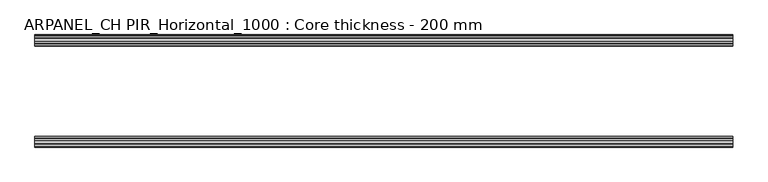
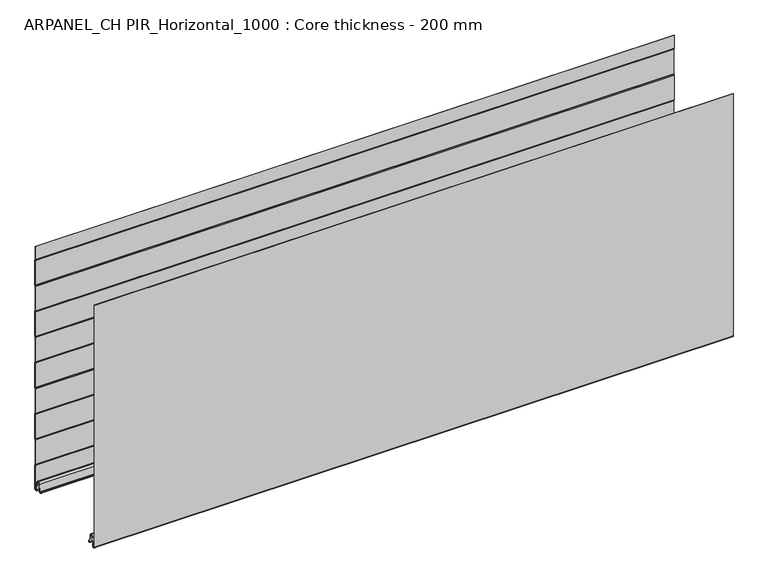
"""IFC4 building model written with IfcOpenShell, lengths in millimetres: plate geometry, ARPANEL_CH PIR_Horizontal_1000 : Core thickness - 200 mm."""

from ifc_helpers import new_model, si_unit, frame, origin, place, context, project, spatial, polyline, circle_curve, source, transform, mapped, element, save
from ifc_brep_helpers import plane_surface, cylinder_surface, revolved_surface, advanced_brep


def arpanel_ch_pir_horizontal_1000_core_thickness_200_mm_6cc82634(model_context):
    return source(origin(), model_context, "Body", "AdvancedBrep", [
        advanced_brep(
        [(620.0, -1.5003051, 473.4703605), (620.0, -1.0971009, 472.0509491), (620.0, -0.8, 470.9985637), (620.0, -0.8, 420.8387805), (620.0, -1.0986697, 419.7873646), (620.0, -1.5003051, 418.3669837), (620.0, -1.5003051, 368.2072005), (620.0, -1.0971009, 366.7877891), (620.0, -0.8, 365.7354037), (620.0, -0.8, 315.5756205), (620.0, -1.0986697, 314.5242046), (620.0, -1.5003051, 313.1038237), (620.0, -1.5003051, 262.9440405), (620.0, -1.0971009, 261.5246291), (620.0, -0.8, 260.4722437), (620.0, -0.8, 210.3124605), (620.0, -1.0986697, 209.2610446), (620.0, -1.5003051, 207.8406637), (620.0, -1.5003051, 157.6808805), (620.0, -1.0971009, 156.2614691), (620.0, -0.8, 155.2090837), (620.0, -0.8, 105.0493005), (620.0, -1.0986697, 103.9978846), (620.0, -1.5003051, 102.5775037), (620.0, -1.5003051, 52.4177205), (620.0, -1.0971009, 50.9983091), (620.0, -0.8, 49.9459237), (620.0, -0.8, 3.0900682), (620.0, -5.3893281, 2.8656275), (620.0, -7.0067021, 19.3608832), (620.0, -10.8223285, 22.7899182), (620.0, -14.6379549, 19.3608832), (620.0, -16.0235822, 5.2291629), (620.0, -18.8169005, 5.365779), (620.0, -19.6169005, 5.365779), (620.0, -15.2274002, 5.1510966), (620.0, -13.8417729, 19.2828169), (620.0, -10.8223285, 21.9898782), (620.0, -7.802884, 19.2828169), (620.0, -6.18551, 2.7875612), (620.0, -0.0003051, 3.0900682), (620.0, -0.0003051, 49.9459237), (620.0, -0.4034608, 51.3652568), (620.0, -0.7003051, 52.4177205), (620.0, -0.7003051, 102.5775037), (620.0, -0.4016712, 103.6288615), (620.0, -0.0003051, 105.0493005), (620.0, -0.0003051, 155.2090837), (620.0, -0.4034608, 156.6284168), (620.0, -0.7003051, 157.6808805), (620.0, -0.7003051, 207.8406637), (620.0, -0.4016712, 208.8920215), (620.0, -0.0003051, 210.3124605), (620.0, -0.0003051, 260.4722437), (620.0, -0.4034608, 261.8915768), (620.0, -0.7003051, 262.9440405), (620.0, -0.7003051, 313.1038237), (620.0, -0.4016712, 314.1551815), (620.0, -0.0003051, 315.5756205), (620.0, -0.0003051, 365.7354037), (620.0, -0.4034608, 367.1547368), (620.0, -0.7003051, 368.2072005), (620.0, -0.7003051, 418.3669837), (620.0, -0.4016712, 419.4183415), (620.0, -0.0003051, 420.8387805), (620.0, -0.0003051, 470.9985637), (620.0, -0.4034608, 472.4178968), (620.0, -0.7003051, 473.4703605), (620.0, -0.7003051, 500.0), (620.0, -1.5003051, 500.0), (-620.0, -0.7003051, 473.4703605), (-620.0, -0.4016712, 472.4190026), (-620.0, -0.0003051, 470.9985637), (-620.0, -0.0003051, 420.8387805), (-620.0, -0.4034608, 419.4194474), (-620.0, -0.7003051, 418.3669837), (-620.0, -0.7003051, 368.2072005), (-620.0, -0.4016712, 367.1558426), (-620.0, -0.0003051, 365.7354037), (-620.0, -0.0003051, 315.5756205), (-620.0, -0.4034608, 314.1562874), (-620.0, -0.7003051, 313.1038237), (-620.0, -0.7003051, 262.9440405), (-620.0, -0.4016712, 261.8926826), (-620.0, -0.0003051, 260.4722437), (-620.0, -0.0003051, 210.3124605), (-620.0, -0.4034608, 208.8931274), (-620.0, -0.7003051, 207.8406637), (-620.0, -0.7003051, 157.6808805), (-620.0, -0.4016712, 156.6295226), (-620.0, -0.0003051, 155.2090837), (-620.0, -0.0003051, 105.0493005), (-620.0, -0.4034608, 103.6299674), (-620.0, -0.7003051, 102.5775037), (-620.0, -0.7003051, 52.4177205), (-620.0, -0.4016712, 51.3663626), (-620.0, -0.0003051, 49.9459237), (-620.0, -0.0003051, 3.0900682), (-620.0, -6.18551, 2.7875612), (-620.0, -7.802884, 19.2828169), (-620.0, -10.8223285, 21.9898782), (-620.0, -13.8417729, 19.2828169), (-620.0, -15.2274002, 5.1510966), (-620.0, -19.6169005, 5.365779), (-620.0, -18.8169005, 5.365779), (-620.0, -16.0235822, 5.2291629), (-620.0, -14.6379549, 19.3608832), (-620.0, -10.8223285, 22.7899182), (-620.0, -7.0067021, 19.3608832), (-620.0, -5.3893281, 2.8656275), (-620.0, -0.8003051, 3.0900682), (-620.0, -0.8, 49.9459237), (-620.0, -1.0986697, 50.9973395), (-620.0, -1.5003051, 52.4177205), (-620.0, -1.5003051, 102.5775037), (-620.0, -1.0971009, 103.9969151), (-620.0, -0.8, 105.0493005), (-620.0, -0.8, 155.2090837), (-620.0, -1.0986697, 156.2604995), (-620.0, -1.5003051, 157.6808805), (-620.0, -1.5003051, 207.8406637), (-620.0, -1.0971009, 209.2600751), (-620.0, -0.8, 210.3124605), (-620.0, -0.8, 260.4722437), (-620.0, -1.0986697, 261.5236595), (-620.0, -1.5003051, 262.9440405), (-620.0, -1.5003051, 313.1038237), (-620.0, -1.0971009, 314.5232351), (-620.0, -0.8, 315.5756205), (-620.0, -0.8, 365.7354037), (-620.0, -1.0986697, 366.7868195), (-620.0, -1.5003051, 368.2072005), (-620.0, -1.5003051, 418.3669837), (-620.0, -1.0971009, 419.7863951), (-620.0, -0.8, 420.8387805), (-620.0, -0.8, 470.9985637), (-620.0, -1.0986697, 472.0499795), (-620.0, -1.5003051, 473.4703605), (-620.0, -1.5003051, 500.0), (-620.0, -0.7003051, 500.0)],
        [
            (0, 1, circle_curve(frame((620.0, 1.1996949, 473.4703605), z_axis=(1.0, 0.0, 0.0), x_axis=(0.0, 0.0, -1.0)), 2.7)),
            (1, 2, circle_curve(frame((620.0, -2.8, 470.9985637), z_axis=(-1.0, 0.0, 0.0), x_axis=(0.0, 0.0, -1.0)), 2.0)),
            (2, 3),
            (3, 4, circle_curve(frame((620.0, -2.8, 420.8387805), z_axis=(-1.0, 0.0, 0.0), x_axis=(0.0, 0.0, -1.0)), 2.0)),
            (4, 5, circle_curve(frame((620.0, 1.1996949, 418.3669837), z_axis=(1.0, 0.0, 0.0), x_axis=(0.0, 0.0, -1.0)), 2.7)),
            (5, 6),
            (6, 7, circle_curve(frame((620.0, 1.1996949, 368.2072005), z_axis=(1.0, 0.0, 0.0), x_axis=(0.0, 0.0, -1.0)), 2.7)),
            (7, 8, circle_curve(frame((620.0, -2.8, 365.7354037), z_axis=(-1.0, 0.0, 0.0), x_axis=(0.0, 0.0, -1.0)), 2.0)),
            (8, 9),
            (9, 10, circle_curve(frame((620.0, -2.8, 315.5756205), z_axis=(-1.0, 0.0, 0.0), x_axis=(0.0, 0.0, -1.0)), 2.0)),
            (10, 11, circle_curve(frame((620.0, 1.1996949, 313.1038237), z_axis=(1.0, 0.0, 0.0), x_axis=(0.0, 0.0, -1.0)), 2.7)),
            (11, 12),
            (12, 13, circle_curve(frame((620.0, 1.1996949, 262.9440405), z_axis=(1.0, 0.0, 0.0), x_axis=(0.0, 0.0, -1.0)), 2.7)),
            (13, 14, circle_curve(frame((620.0, -2.8, 260.4722437), z_axis=(-1.0, 0.0, 0.0), x_axis=(0.0, 0.0, -1.0)), 2.0)),
            (14, 15),
            (15, 16, circle_curve(frame((620.0, -2.8, 210.3124605), z_axis=(-1.0, 0.0, 0.0), x_axis=(0.0, 0.0, -1.0)), 2.0)),
            (16, 17, circle_curve(frame((620.0, 1.1996949, 207.8406637), z_axis=(1.0, 0.0, 0.0), x_axis=(0.0, 0.0, -1.0)), 2.7)),
            (17, 18),
            (18, 19, circle_curve(frame((620.0, 1.1996949, 157.6808805), z_axis=(1.0, 0.0, 0.0), x_axis=(0.0, 0.0, -1.0)), 2.7)),
            (19, 20, circle_curve(frame((620.0, -2.8, 155.2090837), z_axis=(-1.0, 0.0, 0.0), x_axis=(0.0, 0.0, -1.0)), 2.0)),
            (20, 21),
            (21, 22, circle_curve(frame((620.0, -2.8, 105.0493005), z_axis=(-1.0, 0.0, 0.0), x_axis=(0.0, 0.0, -1.0)), 2.0)),
            (22, 23, circle_curve(frame((620.0, 1.1996949, 102.5775037), z_axis=(1.0, 0.0, 0.0), x_axis=(0.0, 0.0, -1.0)), 2.7)),
            (23, 24),
            (24, 25, circle_curve(frame((620.0, 1.1996949, 52.4177205), z_axis=(1.0, 0.0, 0.0), x_axis=(0.0, 0.0, -1.0)), 2.7)),
            (25, 26, circle_curve(frame((620.0, -2.8, 49.9459237), z_axis=(-1.0, 0.0, 0.0), x_axis=(0.0, 0.0, -1.0)), 2.0)),
            (26, 27),
            (27, 28, circle_curve(frame((620.0, -3.1003051, 3.0900682), z_axis=(-1.0, 0.0, 0.0), x_axis=(0.0, 0.0, -1.0)), 2.3)),
            (28, 29),
            (29, 30, circle_curve(frame((620.0, -10.7885662, 18.9900682), z_axis=(1.0, 0.0, 0.0), x_axis=(0.0, 0.0, -1.0)), 3.8)),
            (30, 31, circle_curve(frame((620.0, -10.8560907, 18.9900682), z_axis=(1.0, 0.0, 0.0), x_axis=(0.0, 0.0, -1.0)), 3.8)),
            (31, 32),
            (32, 33, circle_curve(frame((620.0, -17.4169005, 5.365779), z_axis=(-1.0, 0.0, 0.0), x_axis=(0.0, 0.0, -1.0)), 1.4)),
            (33, 34),
            (34, 35, circle_curve(frame((620.0, -17.4169005, 5.365779), z_axis=(1.0, 0.0, 0.0), x_axis=(0.0, 0.0, -1.0)), 2.2)),
            (35, 36),
            (36, 37, circle_curve(frame((620.0, -10.8560907, 18.9900682), z_axis=(-1.0, 0.0, 0.0), x_axis=(0.0, 0.0, -1.0)), 3.0)),
            (37, 38, circle_curve(frame((620.0, -10.7885662, 18.9900682), z_axis=(-1.0, 0.0, 0.0), x_axis=(0.0, 0.0, -1.0)), 3.0)),
            (38, 39),
            (39, 40, circle_curve(frame((620.0, -3.1003051, 3.0900682), z_axis=(1.0, 0.0, 0.0), x_axis=(0.0, 0.0, -1.0)), 3.1)),
            (40, 41),
            (41, 42, circle_curve(frame((620.0, -2.7003051, 49.9459237), z_axis=(1.0, 0.0, 0.0), x_axis=(0.0, 0.0, -1.0)), 2.7)),
            (42, 43, circle_curve(frame((620.0, 1.2996949, 52.4177205), z_axis=(-1.0, 0.0, 0.0), x_axis=(0.0, 0.0, -1.0)), 2.0)),
            (43, 44),
            (44, 45, circle_curve(frame((620.0, 1.2996949, 102.5775037), z_axis=(-1.0, 0.0, 0.0), x_axis=(0.0, 0.0, -1.0)), 2.0)),
            (45, 46, circle_curve(frame((620.0, -2.7003051, 105.0493005), z_axis=(1.0, 0.0, 0.0), x_axis=(0.0, 0.0, -1.0)), 2.7)),
            (46, 47),
            (47, 48, circle_curve(frame((620.0, -2.7003051, 155.2090837), z_axis=(1.0, 0.0, 0.0), x_axis=(0.0, 0.0, -1.0)), 2.7)),
            (48, 49, circle_curve(frame((620.0, 1.2996949, 157.6808805), z_axis=(-1.0, 0.0, 0.0), x_axis=(0.0, 0.0, -1.0)), 2.0)),
            (49, 50),
            (50, 51, circle_curve(frame((620.0, 1.2996949, 207.8406637), z_axis=(-1.0, 0.0, 0.0), x_axis=(0.0, 0.0, -1.0)), 2.0)),
            (51, 52, circle_curve(frame((620.0, -2.7003051, 210.3124605), z_axis=(1.0, 0.0, 0.0), x_axis=(0.0, 0.0, -1.0)), 2.7)),
            (52, 53),
            (53, 54, circle_curve(frame((620.0, -2.7003051, 260.4722437), z_axis=(1.0, 0.0, 0.0), x_axis=(0.0, 0.0, -1.0)), 2.7)),
            (54, 55, circle_curve(frame((620.0, 1.2996949, 262.9440405), z_axis=(-1.0, 0.0, 0.0), x_axis=(0.0, 0.0, -1.0)), 2.0)),
            (55, 56),
            (56, 57, circle_curve(frame((620.0, 1.2996949, 313.1038237), z_axis=(-1.0, 0.0, 0.0), x_axis=(0.0, 0.0, -1.0)), 2.0)),
            (57, 58, circle_curve(frame((620.0, -2.7003051, 315.5756205), z_axis=(1.0, 0.0, 0.0), x_axis=(0.0, 0.0, -1.0)), 2.7)),
            (58, 59),
            (59, 60, circle_curve(frame((620.0, -2.7003051, 365.7354037), z_axis=(1.0, 0.0, 0.0), x_axis=(0.0, 0.0, -1.0)), 2.7)),
            (60, 61, circle_curve(frame((620.0, 1.2996949, 368.2072005), z_axis=(-1.0, 0.0, 0.0), x_axis=(0.0, 0.0, -1.0)), 2.0)),
            (61, 62),
            (62, 63, circle_curve(frame((620.0, 1.2996949, 418.3669837), z_axis=(-1.0, 0.0, 0.0), x_axis=(0.0, 0.0, -1.0)), 2.0)),
            (63, 64, circle_curve(frame((620.0, -2.7003051, 420.8387805), z_axis=(1.0, 0.0, 0.0), x_axis=(0.0, 0.0, -1.0)), 2.7)),
            (64, 65),
            (65, 66, circle_curve(frame((620.0, -2.7003051, 470.9985637), z_axis=(1.0, 0.0, 0.0), x_axis=(0.0, 0.0, -1.0)), 2.7)),
            (66, 67, circle_curve(frame((620.0, 1.2996949, 473.4703605), z_axis=(-1.0, 0.0, 0.0), x_axis=(0.0, 0.0, -1.0)), 2.0)),
            (67, 68),
            (68, 69),
            (69, 0),
            (70, 71, circle_curve(frame((-620.0, 1.2996949, 473.4703605), z_axis=(1.0, 0.0, 0.0), x_axis=(0.0, 0.0, -1.0)), 2.0)),
            (71, 72, circle_curve(frame((-620.0, -2.7003051, 470.9985637), z_axis=(-1.0, 0.0, 0.0), x_axis=(0.0, 0.0, -1.0)), 2.7)),
            (72, 73),
            (73, 74, circle_curve(frame((-620.0, -2.7003051, 420.8387805), z_axis=(-1.0, 0.0, 0.0), x_axis=(0.0, 0.0, -1.0)), 2.7)),
            (74, 75, circle_curve(frame((-620.0, 1.2996949, 418.3669837), z_axis=(1.0, 0.0, 0.0), x_axis=(0.0, 0.0, -1.0)), 2.0)),
            (75, 76),
            (76, 77, circle_curve(frame((-620.0, 1.2996949, 368.2072005), z_axis=(1.0, 0.0, 0.0), x_axis=(0.0, 0.0, -1.0)), 2.0)),
            (77, 78, circle_curve(frame((-620.0, -2.7003051, 365.7354037), z_axis=(-1.0, 0.0, 0.0), x_axis=(0.0, 0.0, -1.0)), 2.7)),
            (78, 79),
            (79, 80, circle_curve(frame((-620.0, -2.7003051, 315.5756205), z_axis=(-1.0, 0.0, 0.0), x_axis=(0.0, 0.0, -1.0)), 2.7)),
            (80, 81, circle_curve(frame((-620.0, 1.2996949, 313.1038237), z_axis=(1.0, 0.0, 0.0), x_axis=(0.0, 0.0, -1.0)), 2.0)),
            (81, 82),
            (82, 83, circle_curve(frame((-620.0, 1.2996949, 262.9440405), z_axis=(1.0, 0.0, 0.0), x_axis=(0.0, 0.0, -1.0)), 2.0)),
            (83, 84, circle_curve(frame((-620.0, -2.7003051, 260.4722437), z_axis=(-1.0, 0.0, 0.0), x_axis=(0.0, 0.0, -1.0)), 2.7)),
            (84, 85),
            (85, 86, circle_curve(frame((-620.0, -2.7003051, 210.3124605), z_axis=(-1.0, 0.0, 0.0), x_axis=(0.0, 0.0, -1.0)), 2.7)),
            (86, 87, circle_curve(frame((-620.0, 1.2996949, 207.8406637), z_axis=(1.0, 0.0, 0.0), x_axis=(0.0, 0.0, -1.0)), 2.0)),
            (87, 88),
            (88, 89, circle_curve(frame((-620.0, 1.2996949, 157.6808805), z_axis=(1.0, 0.0, 0.0), x_axis=(0.0, 0.0, -1.0)), 2.0)),
            (89, 90, circle_curve(frame((-620.0, -2.7003051, 155.2090837), z_axis=(-1.0, 0.0, 0.0), x_axis=(0.0, 0.0, -1.0)), 2.7)),
            (90, 91),
            (91, 92, circle_curve(frame((-620.0, -2.7003051, 105.0493005), z_axis=(-1.0, 0.0, 0.0), x_axis=(0.0, 0.0, -1.0)), 2.7)),
            (92, 93, circle_curve(frame((-620.0, 1.2996949, 102.5775037), z_axis=(1.0, 0.0, 0.0), x_axis=(0.0, 0.0, -1.0)), 2.0)),
            (93, 94),
            (94, 95, circle_curve(frame((-620.0, 1.2996949, 52.4177205), z_axis=(1.0, 0.0, 0.0), x_axis=(0.0, 0.0, -1.0)), 2.0)),
            (95, 96, circle_curve(frame((-620.0, -2.7003051, 49.9459237), z_axis=(-1.0, 0.0, 0.0), x_axis=(0.0, 0.0, -1.0)), 2.7)),
            (96, 97),
            (97, 98, circle_curve(frame((-620.0, -3.1003051, 3.0900682), z_axis=(-1.0, 0.0, 0.0), x_axis=(0.0, 0.0, -1.0)), 3.1)),
            (98, 99),
            (99, 100, circle_curve(frame((-620.0, -10.7885662, 18.9900682), z_axis=(1.0, 0.0, 0.0), x_axis=(0.0, 0.0, -1.0)), 3.0)),
            (100, 101, circle_curve(frame((-620.0, -10.8560907, 18.9900682), z_axis=(1.0, 0.0, 0.0), x_axis=(0.0, 0.0, -1.0)), 3.0)),
            (101, 102),
            (102, 103, circle_curve(frame((-620.0, -17.4169005, 5.365779), z_axis=(-1.0, 0.0, 0.0), x_axis=(0.0, 0.0, -1.0)), 2.2)),
            (103, 104),
            (104, 105, circle_curve(frame((-620.0, -17.4169005, 5.365779), z_axis=(1.0, 0.0, 0.0), x_axis=(0.0, 0.0, -1.0)), 1.4)),
            (105, 106),
            (106, 107, circle_curve(frame((-620.0, -10.8560907, 18.9900682), z_axis=(-1.0, 0.0, 0.0), x_axis=(0.0, 0.0, -1.0)), 3.8)),
            (107, 108, circle_curve(frame((-620.0, -10.7885662, 18.9900682), z_axis=(-1.0, 0.0, 0.0), x_axis=(0.0, 0.0, -1.0)), 3.8)),
            (108, 109),
            (109, 110, circle_curve(frame((-620.0, -3.1003051, 3.0900682), z_axis=(1.0, 0.0, 0.0), x_axis=(0.0, 0.0, -1.0)), 2.3)),
            (110, 111),
            (111, 112, circle_curve(frame((-620.0, -2.8, 49.9459237), z_axis=(1.0, 0.0, 0.0), x_axis=(0.0, 0.0, -1.0)), 2.0)),
            (112, 113, circle_curve(frame((-620.0, 1.1996949, 52.4177205), z_axis=(-1.0, 0.0, 0.0), x_axis=(0.0, 0.0, -1.0)), 2.7)),
            (113, 114),
            (114, 115, circle_curve(frame((-620.0, 1.1996949, 102.5775037), z_axis=(-1.0, 0.0, 0.0), x_axis=(0.0, 0.0, -1.0)), 2.7)),
            (115, 116, circle_curve(frame((-620.0, -2.8, 105.0493005), z_axis=(1.0, 0.0, 0.0), x_axis=(0.0, 0.0, -1.0)), 2.0)),
            (116, 117),
            (117, 118, circle_curve(frame((-620.0, -2.8, 155.2090837), z_axis=(1.0, 0.0, 0.0), x_axis=(0.0, 0.0, -1.0)), 2.0)),
            (118, 119, circle_curve(frame((-620.0, 1.1996949, 157.6808805), z_axis=(-1.0, 0.0, 0.0), x_axis=(0.0, 0.0, -1.0)), 2.7)),
            (119, 120),
            (120, 121, circle_curve(frame((-620.0, 1.1996949, 207.8406637), z_axis=(-1.0, 0.0, 0.0), x_axis=(0.0, 0.0, -1.0)), 2.7)),
            (121, 122, circle_curve(frame((-620.0, -2.8, 210.3124605), z_axis=(1.0, 0.0, 0.0), x_axis=(0.0, 0.0, -1.0)), 2.0)),
            (122, 123),
            (123, 124, circle_curve(frame((-620.0, -2.8, 260.4722437), z_axis=(1.0, 0.0, 0.0), x_axis=(0.0, 0.0, -1.0)), 2.0)),
            (124, 125, circle_curve(frame((-620.0, 1.1996949, 262.9440405), z_axis=(-1.0, 0.0, 0.0), x_axis=(0.0, 0.0, -1.0)), 2.7)),
            (125, 126),
            (126, 127, circle_curve(frame((-620.0, 1.1996949, 313.1038237), z_axis=(-1.0, 0.0, 0.0), x_axis=(0.0, 0.0, -1.0)), 2.7)),
            (127, 128, circle_curve(frame((-620.0, -2.8, 315.5756205), z_axis=(1.0, 0.0, 0.0), x_axis=(0.0, 0.0, -1.0)), 2.0)),
            (128, 129),
            (129, 130, circle_curve(frame((-620.0, -2.8, 365.7354037), z_axis=(1.0, 0.0, 0.0), x_axis=(0.0, 0.0, -1.0)), 2.0)),
            (130, 131, circle_curve(frame((-620.0, 1.1996949, 368.2072005), z_axis=(-1.0, 0.0, 0.0), x_axis=(0.0, 0.0, -1.0)), 2.7)),
            (131, 132),
            (132, 133, circle_curve(frame((-620.0, 1.1996949, 418.3669837), z_axis=(-1.0, 0.0, 0.0), x_axis=(0.0, 0.0, -1.0)), 2.7)),
            (133, 134, circle_curve(frame((-620.0, -2.8, 420.8387805), z_axis=(1.0, 0.0, 0.0), x_axis=(0.0, 0.0, -1.0)), 2.0)),
            (134, 135),
            (135, 136, circle_curve(frame((-620.0, -2.8, 470.9985637), z_axis=(1.0, 0.0, 0.0), x_axis=(0.0, 0.0, -1.0)), 2.0)),
            (136, 137, circle_curve(frame((-620.0, 1.1996949, 473.4703605), z_axis=(-1.0, 0.0, 0.0), x_axis=(0.0, 0.0, -1.0)), 2.7)),
            (137, 138),
            (138, 139),
            (139, 70),
            (137, 0),
            (69, 138),
            (136, 1),
            (135, 2),
            (134, 3),
            (133, 4),
            (132, 5),
            (131, 6),
            (130, 7),
            (129, 8),
            (128, 9),
            (127, 10),
            (126, 11),
            (125, 12),
            (124, 13),
            (123, 14),
            (122, 15),
            (121, 16),
            (120, 17),
            (119, 18),
            (118, 19),
            (117, 20),
            (116, 21),
            (115, 22),
            (114, 23),
            (113, 24),
            (112, 25),
            (111, 26),
            (110, 27),
            (109, 28),
            (108, 29),
            (107, 30),
            (106, 31),
            (105, 32),
            (104, 33),
            (103, 34),
            (102, 35),
            (101, 36),
            (100, 37),
            (99, 38),
            (98, 39),
            (97, 40),
            (96, 41),
            (95, 42),
            (94, 43),
            (93, 44),
            (92, 45),
            (91, 46),
            (90, 47),
            (89, 48),
            (88, 49),
            (87, 50),
            (86, 51),
            (85, 52),
            (84, 53),
            (83, 54),
            (82, 55),
            (81, 56),
            (80, 57),
            (79, 58),
            (78, 59),
            (77, 60),
            (76, 61),
            (75, 62),
            (74, 63),
            (73, 64),
            (72, 65),
            (71, 66),
            (70, 67),
            (139, 68),
        ],
        [
            plane_surface(frame((620.0, 0.0, 0.0), z_axis=(1.0, 0.0, 0.0), x_axis=(0.0, -1.0, 0.0))),
            plane_surface(frame((-620.0, 0.0, 0.0), z_axis=(-1.0, 0.0, 0.0), x_axis=(0.0, -1.0, 0.0))),
            plane_surface(frame((620.0, -1.5003051, 523.6301437), z_axis=(0.0, -1.0, 0.0), x_axis=(-1.0, 0.0, 0.0))),
            cylinder_surface(frame((620.0, 1.1996949, 473.4703605), z_axis=(1.0, 0.0, 0.0), x_axis=(0.0, 0.0, -1.0)), 2.7),
            revolved_surface(polyline([(-620.0, -2.8, 468.9985637), (620.0, -2.8, 468.9985637)]), (620.0, -2.8, 470.9985637), (-1.0, 0.0, 0.0)),
            plane_surface(frame((620.0, -0.8, 470.9985637), z_axis=(0.0, -1.0, 0.0), x_axis=(-1.0, 0.0, 0.0))),
            revolved_surface(polyline([(-620.0, -2.8, 418.8387805), (620.0, -2.8, 418.8387805)]), (620.0, -2.8, 420.8387805), (-1.0, 0.0, 0.0)),
            cylinder_surface(frame((620.0, 1.1996949, 418.3669837), z_axis=(1.0, 0.0, 0.0), x_axis=(0.0, 0.0, -1.0)), 2.7),
            plane_surface(frame((620.0, -1.5003051, 418.3669837), z_axis=(0.0, -1.0, 0.0), x_axis=(-1.0, 0.0, 0.0))),
            cylinder_surface(frame((620.0, 1.1996949, 368.2072005), z_axis=(1.0, 0.0, 0.0), x_axis=(0.0, 0.0, -1.0)), 2.7),
            revolved_surface(polyline([(-620.0, -2.8, 363.7354037), (620.0, -2.8, 363.7354037)]), (620.0, -2.8, 365.7354037), (-1.0, 0.0, 0.0)),
            plane_surface(frame((620.0, -0.8, 365.7354037), z_axis=(0.0, -1.0, 0.0), x_axis=(-1.0, 0.0, 0.0))),
            revolved_surface(polyline([(-620.0, -2.8, 313.5756205), (620.0, -2.8, 313.5756205)]), (620.0, -2.8, 315.5756205), (-1.0, 0.0, 0.0)),
            cylinder_surface(frame((620.0, 1.1996949, 313.1038237), z_axis=(1.0, 0.0, 0.0), x_axis=(0.0, 0.0, -1.0)), 2.7),
            plane_surface(frame((620.0, -1.5003051, 313.1038237), z_axis=(0.0, -1.0, 0.0), x_axis=(-1.0, 0.0, 0.0))),
            cylinder_surface(frame((620.0, 1.1996949, 262.9440405), z_axis=(1.0, 0.0, 0.0), x_axis=(0.0, 0.0, -1.0)), 2.7),
            revolved_surface(polyline([(-620.0, -2.8, 258.4722437), (620.0, -2.8, 258.4722437)]), (620.0, -2.8, 260.4722437), (-1.0, 0.0, 0.0)),
            plane_surface(frame((620.0, -0.8, 260.4722437), z_axis=(0.0, -1.0, 0.0), x_axis=(-1.0, 0.0, 0.0))),
            revolved_surface(polyline([(-620.0, -2.8, 208.3124605), (620.0, -2.8, 208.3124605)]), (620.0, -2.8, 210.3124605), (-1.0, 0.0, 0.0)),
            cylinder_surface(frame((620.0, 1.1996949, 207.8406637), z_axis=(1.0, 0.0, 0.0), x_axis=(0.0, 0.0, -1.0)), 2.7),
            plane_surface(frame((620.0, -1.5003051, 207.8406637), z_axis=(0.0, -1.0, 0.0), x_axis=(-1.0, 0.0, 0.0))),
            cylinder_surface(frame((620.0, 1.1996949, 157.6808805), z_axis=(1.0, 0.0, 0.0), x_axis=(0.0, 0.0, -1.0)), 2.7),
            revolved_surface(polyline([(-620.0, -2.8, 153.2090837), (620.0, -2.8, 153.2090837)]), (620.0, -2.8, 155.2090837), (-1.0, 0.0, 0.0)),
            plane_surface(frame((620.0, -0.8, 155.2090837), z_axis=(0.0, -1.0, 0.0), x_axis=(-1.0, 0.0, 0.0))),
            revolved_surface(polyline([(-620.0, -2.8, 103.0493005), (620.0, -2.8, 103.0493005)]), (620.0, -2.8, 105.0493005), (-1.0, 0.0, 0.0)),
            cylinder_surface(frame((620.0, 1.1996949, 102.5775037), z_axis=(1.0, 0.0, 0.0), x_axis=(0.0, 0.0, -1.0)), 2.7),
            plane_surface(frame((620.0, -1.5003051, 102.5775037), z_axis=(0.0, -1.0, 0.0), x_axis=(-1.0, 0.0, 0.0))),
            cylinder_surface(frame((620.0, 1.1996949, 52.4177205), z_axis=(1.0, 0.0, 0.0), x_axis=(0.0, 0.0, -1.0)), 2.7),
            revolved_surface(polyline([(-620.0, -2.8, 47.9459237), (620.0, -2.8, 47.9459237)]), (620.0, -2.8, 49.9459237), (-1.0, 0.0, 0.0)),
            plane_surface(frame((620.0, -0.8, 49.9459237), z_axis=(0.0, -1.0, 0.0), x_axis=(-1.0, 0.0, 0.0))),
            revolved_surface(polyline([(-620.0, -3.1003051, 0.7900682000000003), (620.0, -3.1003051, 0.7900682000000003)]), (620.0, -3.1003051, 3.0900682), (-1.0, 0.0, 0.0)),
            plane_surface(frame((620.0, -5.3893281, 2.8656275), z_axis=(0.0, 0.9952273999818314, 0.09758289975914787), x_axis=(-1.0, 0.0, 0.0))),
            cylinder_surface(frame((620.0, -10.7885662, 18.9900682), z_axis=(1.0, 0.0, 0.0), x_axis=(0.0, 0.0, -1.0)), 3.8),
            cylinder_surface(frame((620.0, -10.8560907, 18.9900682), z_axis=(1.0, 0.0, 0.0), x_axis=(0.0, 0.0, -1.0)), 3.8),
            plane_surface(frame((620.0, -14.6379549, 19.3608832), z_axis=(0.0, -0.9952273999818297, 0.09758289975916531), x_axis=(-1.0, 0.0, 0.0))),
            revolved_surface(polyline([(-620.0, -17.4169005, 3.965779), (620.0, -17.4169005, 3.965779)]), (620.0, -17.4169005, 5.365779), (-1.0, 0.0, 0.0)),
            plane_surface(frame((620.0, -18.8169005, 5.365779), z_axis=(0.0, 0.0, 1.0), x_axis=(-1.0, 0.0, 0.0))),
            cylinder_surface(frame((620.0, -17.4169005, 5.365779), z_axis=(1.0, 0.0, 0.0), x_axis=(0.0, 0.0, -1.0)), 2.2),
            plane_surface(frame((620.0, -15.2274002, 5.1510966), z_axis=(0.0, 0.9952273999818296, -0.09758289975916527), x_axis=(-1.0, 0.0, 0.0))),
            revolved_surface(polyline([(-620.0, -10.8560907, 15.9900682), (620.0, -10.8560907, 15.9900682)]), (620.0, -10.8560907, 18.9900682), (-1.0, 0.0, 0.0)),
            revolved_surface(polyline([(-620.0, -10.7885662, 15.9900682), (620.0, -10.7885662, 15.9900682)]), (620.0, -10.7885662, 18.9900682), (-1.0, 0.0, 0.0)),
            plane_surface(frame((620.0, -7.802884, 19.2828169), z_axis=(0.0, -0.9952273999818314, -0.09758289975914787), x_axis=(-1.0, 0.0, 0.0))),
            cylinder_surface(frame((620.0, -3.1003051, 3.0900682), z_axis=(1.0, 0.0, 0.0), x_axis=(0.0, 0.0, -1.0)), 3.1),
            plane_surface(frame((620.0, -0.0003051, 3.0900682), z_axis=(0.0, 1.0, 0.0), x_axis=(-1.0, 0.0, 0.0))),
            cylinder_surface(frame((620.0, -2.7003051, 49.9459237), z_axis=(1.0, 0.0, 0.0), x_axis=(0.0, 0.0, -1.0)), 2.7),
            revolved_surface(polyline([(-620.0, 1.2996949, 50.4177205), (620.0, 1.2996949, 50.4177205)]), (620.0, 1.2996949, 52.4177205), (-1.0, 0.0, 0.0)),
            plane_surface(frame((620.0, -0.7003051, 52.4177205), z_axis=(0.0, 1.0, 0.0), x_axis=(-1.0, 0.0, 0.0))),
            revolved_surface(polyline([(-620.0, 1.2996949, 100.5775037), (620.0, 1.2996949, 100.5775037)]), (620.0, 1.2996949, 102.5775037), (-1.0, 0.0, 0.0)),
            cylinder_surface(frame((620.0, -2.7003051, 105.0493005), z_axis=(1.0, 0.0, 0.0), x_axis=(0.0, 0.0, -1.0)), 2.7),
            plane_surface(frame((620.0, -0.0003051, 105.0493005), z_axis=(0.0, 1.0, 0.0), x_axis=(-1.0, 0.0, 0.0))),
            cylinder_surface(frame((620.0, -2.7003051, 155.2090837), z_axis=(1.0, 0.0, 0.0), x_axis=(0.0, 0.0, -1.0)), 2.7),
            revolved_surface(polyline([(-620.0, 1.2996949, 155.6808805), (620.0, 1.2996949, 155.6808805)]), (620.0, 1.2996949, 157.6808805), (-1.0, 0.0, 0.0)),
            plane_surface(frame((620.0, -0.7003051, 157.6808805), z_axis=(0.0, 1.0, 0.0), x_axis=(-1.0, 0.0, 0.0))),
            revolved_surface(polyline([(-620.0, 1.2996949, 205.8406637), (620.0, 1.2996949, 205.8406637)]), (620.0, 1.2996949, 207.8406637), (-1.0, 0.0, 0.0)),
            cylinder_surface(frame((620.0, -2.7003051, 210.3124605), z_axis=(1.0, 0.0, 0.0), x_axis=(0.0, 0.0, -1.0)), 2.7),
            plane_surface(frame((620.0, -0.0003051, 210.3124605), z_axis=(0.0, 1.0, 0.0), x_axis=(-1.0, 0.0, 0.0))),
            cylinder_surface(frame((620.0, -2.7003051, 260.4722437), z_axis=(1.0, 0.0, 0.0), x_axis=(0.0, 0.0, -1.0)), 2.7),
            revolved_surface(polyline([(-620.0, 1.2996949, 260.9440405), (620.0, 1.2996949, 260.9440405)]), (620.0, 1.2996949, 262.9440405), (-1.0, 0.0, 0.0)),
            plane_surface(frame((620.0, -0.7003051, 262.9440405), z_axis=(0.0, 1.0, 0.0), x_axis=(-1.0, 0.0, 0.0))),
            revolved_surface(polyline([(-620.0, 1.2996949, 311.1038237), (620.0, 1.2996949, 311.1038237)]), (620.0, 1.2996949, 313.1038237), (-1.0, 0.0, 0.0)),
            cylinder_surface(frame((620.0, -2.7003051, 315.5756205), z_axis=(1.0, 0.0, 0.0), x_axis=(0.0, 0.0, -1.0)), 2.7),
            plane_surface(frame((620.0, -0.0003051, 315.5756205), z_axis=(0.0, 1.0, 0.0), x_axis=(-1.0, 0.0, 0.0))),
            cylinder_surface(frame((620.0, -2.7003051, 365.7354037), z_axis=(1.0, 0.0, 0.0), x_axis=(0.0, 0.0, -1.0)), 2.7),
            revolved_surface(polyline([(-620.0, 1.2996949, 366.2072005), (620.0, 1.2996949, 366.2072005)]), (620.0, 1.2996949, 368.2072005), (-1.0, 0.0, 0.0)),
            plane_surface(frame((620.0, -0.7003051, 368.2072005), z_axis=(0.0, 1.0, 0.0), x_axis=(-1.0, 0.0, 0.0))),
            revolved_surface(polyline([(-620.0, 1.2996949, 416.3669837), (620.0, 1.2996949, 416.3669837)]), (620.0, 1.2996949, 418.3669837), (-1.0, 0.0, 0.0)),
            cylinder_surface(frame((620.0, -2.7003051, 420.8387805), z_axis=(1.0, 0.0, 0.0), x_axis=(0.0, 0.0, -1.0)), 2.7),
            plane_surface(frame((620.0, -0.0003051, 420.8387805), z_axis=(0.0, 1.0, 0.0), x_axis=(-1.0, 0.0, 0.0))),
            cylinder_surface(frame((620.0, -2.7003051, 470.9985637), z_axis=(1.0, 0.0, 0.0), x_axis=(0.0, 0.0, -1.0)), 2.7),
            revolved_surface(polyline([(-620.0, 1.2996949, 471.4703605), (620.0, 1.2996949, 471.4703605)]), (620.0, 1.2996949, 473.4703605), (-1.0, 0.0, 0.0)),
            plane_surface(frame((620.0, -0.7003051, 473.4703605), z_axis=(0.0, 1.0, 0.0), x_axis=(-1.0, 0.0, 0.0))),
            plane_surface(frame((-620.0, 134.0533409, 500.0), z_axis=(0.0, 0.0, 1.0), x_axis=(1.0, 0.0, 0.0))),
        ],
        [
            (0, [[1, 2, 3, 4, 5, 6, 7, 8, 9, 10, 11, 12, 13, 14, 15, 16, 17, 18, 19, 20, 21, 22, 23, 24, 25, 26, 27, 28, 29, 30, 31, 32, 33, 34, 35, 36, 37, 38, 39, 40, 41, 42, 43, 44, 45, 46, 47, 48, 49, 50, 51, 52, 53, 54, 55, 56, 57, 58, 59, 60, 61, 62, 63, 64, 65, 66, 67, 68, 69, 70]]),
            (1, [[71, 72, 73, 74, 75, 76, 77, 78, 79, 80, 81, 82, 83, 84, 85, 86, 87, 88, 89, 90, 91, 92, 93, 94, 95, 96, 97, 98, 99, 100, 101, 102, 103, 104, 105, 106, 107, 108, 109, 110, 111, 112, 113, 114, 115, 116, 117, 118, 119, 120, 121, 122, 123, 124, 125, 126, 127, 128, 129, 130, 131, 132, 133, 134, 135, 136, 137, 138, 139, 140]]),
            (2, [[141, -70, 142, -138]]),
            (3, [[-1, -141, -137, 143]]),
            (4, [[-2, -143, -136, 144]]),
            (5, [[-3, -144, -135, 145]]),
            (6, [[-4, -145, -134, 146]]),
            (7, [[-5, -146, -133, 147]]),
            (8, [[-6, -147, -132, 148]]),
            (9, [[-7, -148, -131, 149]]),
            (10, [[-8, -149, -130, 150]]),
            (11, [[-9, -150, -129, 151]]),
            (12, [[-10, -151, -128, 152]]),
            (13, [[-11, -152, -127, 153]]),
            (14, [[-12, -153, -126, 154]]),
            (15, [[-13, -154, -125, 155]]),
            (16, [[-14, -155, -124, 156]]),
            (17, [[-15, -156, -123, 157]]),
            (18, [[-16, -157, -122, 158]]),
            (19, [[-17, -158, -121, 159]]),
            (20, [[-18, -159, -120, 160]]),
            (21, [[-19, -160, -119, 161]]),
            (22, [[-20, -161, -118, 162]]),
            (23, [[-21, -162, -117, 163]]),
            (24, [[-22, -163, -116, 164]]),
            (25, [[-23, -164, -115, 165]]),
            (26, [[-24, -165, -114, 166]]),
            (27, [[-25, -166, -113, 167]]),
            (28, [[-26, -167, -112, 168]]),
            (29, [[-27, -168, -111, 169]]),
            (30, [[-28, -169, -110, 170]]),
            (31, [[-29, -170, -109, 171]]),
            (32, [[-30, -171, -108, 172]]),
            (33, [[-31, -172, -107, 173]]),
            (34, [[-32, -173, -106, 174]]),
            (35, [[-33, -174, -105, 175]]),
            (36, [[-34, -175, -104, 176]]),
            (37, [[-35, -176, -103, 177]]),
            (38, [[-36, -177, -102, 178]]),
            (39, [[-37, -178, -101, 179]]),
            (40, [[-38, -179, -100, 180]]),
            (41, [[-39, -180, -99, 181]]),
            (42, [[-40, -181, -98, 182]]),
            (43, [[-41, -182, -97, 183]]),
            (44, [[-42, -183, -96, 184]]),
            (45, [[-43, -184, -95, 185]]),
            (46, [[-44, -185, -94, 186]]),
            (47, [[-45, -186, -93, 187]]),
            (48, [[-46, -187, -92, 188]]),
            (49, [[-47, -188, -91, 189]]),
            (50, [[-48, -189, -90, 190]]),
            (51, [[-49, -190, -89, 191]]),
            (52, [[-50, -191, -88, 192]]),
            (53, [[-51, -192, -87, 193]]),
            (54, [[-52, -193, -86, 194]]),
            (55, [[-53, -194, -85, 195]]),
            (56, [[-54, -195, -84, 196]]),
            (57, [[-55, -196, -83, 197]]),
            (58, [[-56, -197, -82, 198]]),
            (59, [[-57, -198, -81, 199]]),
            (60, [[-58, -199, -80, 200]]),
            (61, [[-59, -200, -79, 201]]),
            (62, [[-60, -201, -78, 202]]),
            (63, [[-61, -202, -77, 203]]),
            (64, [[-62, -203, -76, 204]]),
            (65, [[-63, -204, -75, 205]]),
            (66, [[-64, -205, -74, 206]]),
            (67, [[-65, -206, -73, 207]]),
            (68, [[-66, -207, -72, 208]]),
            (69, [[-67, -208, -71, 209]]),
            (70, [[-209, -140, 210, -68]]),
            (71, [[-69, -210, -139, -142]]),
        ],
    ),
        advanced_brep(
        [(620.0, -199.9996949, 3.0900682), (620.0, -193.81449, 2.7875612), (620.0, -192.197116, 19.2828169), (620.0, -189.1776715, 21.9898782), (620.0, -186.1582271, 19.2828169), (620.0, -184.7725998, 5.1510966), (620.0, -180.3830995, 5.365779), (620.0, -181.1830995, 5.365779), (620.0, -183.9764178, 5.2291629), (620.0, -185.3620451, 19.3608832), (620.0, -189.1776715, 22.7899182), (620.0, -192.9932979, 19.3608832), (620.0, -194.6106719, 2.8656275), (620.0, -199.1996949, 3.0900682), (620.0, -199.2, 500.0), (620.0, -199.9996949, 500.0), (-620.0, -199.1996949, 3.0900682), (-620.0, -194.6106719, 2.8656275), (-620.0, -192.9932979, 19.3608832), (-620.0, -189.1776715, 22.7899182), (-620.0, -185.3620451, 19.3608832), (-620.0, -183.9764178, 5.2291629), (-620.0, -181.1830995, 5.365779), (-620.0, -180.3830995, 5.365779), (-620.0, -184.7725998, 5.1510966), (-620.0, -186.1582271, 19.2828169), (-620.0, -189.1776715, 21.9898782), (-620.0, -192.197116, 19.2828169), (-620.0, -193.81449, 2.7875612), (-620.0, -199.9996949, 3.0900682), (-620.0, -199.9996949, 500.0), (-620.0, -199.2, 500.0)],
        [
            (0, 1, circle_curve(frame((620.0, -196.8996949, 3.0900682), z_axis=(1.0, 0.0, 0.0), x_axis=(0.0, 0.0, -1.0)), 3.1)),
            (1, 2),
            (2, 3, circle_curve(frame((620.0, -189.2114338, 18.9900682), z_axis=(-1.0, 0.0, 0.0), x_axis=(0.0, 0.0, -1.0)), 3.0)),
            (3, 4, circle_curve(frame((620.0, -189.1439093, 18.9900682), z_axis=(-1.0, 0.0, 0.0), x_axis=(0.0, 0.0, -1.0)), 3.0)),
            (4, 5),
            (5, 6, circle_curve(frame((620.0, -182.5830995, 5.365779), z_axis=(1.0, 0.0, 0.0), x_axis=(0.0, 0.0, -1.0)), 2.2)),
            (6, 7),
            (7, 8, circle_curve(frame((620.0, -182.5830995, 5.365779), z_axis=(-1.0, 0.0, 0.0), x_axis=(0.0, 0.0, -1.0)), 1.4)),
            (8, 9),
            (9, 10, circle_curve(frame((620.0, -189.1439093, 18.9900682), z_axis=(1.0, 0.0, 0.0), x_axis=(0.0, 0.0, -1.0)), 3.8)),
            (10, 11, circle_curve(frame((620.0, -189.2114338, 18.9900682), z_axis=(1.0, 0.0, 0.0), x_axis=(0.0, 0.0, -1.0)), 3.8)),
            (11, 12),
            (12, 13, circle_curve(frame((620.0, -196.8996949, 3.0900682), z_axis=(-1.0, 0.0, 0.0), x_axis=(0.0, 0.0, -1.0)), 2.3)),
            (13, 14),
            (14, 15),
            (15, 0),
            (16, 17, circle_curve(frame((-620.0, -196.8996949, 3.0900682), z_axis=(1.0, 0.0, 0.0), x_axis=(0.0, 0.0, -1.0)), 2.3)),
            (17, 18),
            (18, 19, circle_curve(frame((-620.0, -189.2114338, 18.9900682), z_axis=(-1.0, 0.0, 0.0), x_axis=(0.0, 0.0, -1.0)), 3.8)),
            (19, 20, circle_curve(frame((-620.0, -189.1439093, 18.9900682), z_axis=(-1.0, 0.0, 0.0), x_axis=(0.0, 0.0, -1.0)), 3.8)),
            (20, 21),
            (21, 22, circle_curve(frame((-620.0, -182.5830995, 5.365779), z_axis=(1.0, 0.0, 0.0), x_axis=(0.0, 0.0, -1.0)), 1.4)),
            (22, 23),
            (23, 24, circle_curve(frame((-620.0, -182.5830995, 5.365779), z_axis=(-1.0, 0.0, 0.0), x_axis=(0.0, 0.0, -1.0)), 2.2)),
            (24, 25),
            (25, 26, circle_curve(frame((-620.0, -189.1439093, 18.9900682), z_axis=(1.0, 0.0, 0.0), x_axis=(0.0, 0.0, -1.0)), 3.0)),
            (26, 27, circle_curve(frame((-620.0, -189.2114338, 18.9900682), z_axis=(1.0, 0.0, 0.0), x_axis=(0.0, 0.0, -1.0)), 3.0)),
            (27, 28),
            (28, 29, circle_curve(frame((-620.0, -196.8996949, 3.0900682), z_axis=(-1.0, 0.0, 0.0), x_axis=(0.0, 0.0, -1.0)), 3.1)),
            (29, 30),
            (30, 31),
            (31, 16),
            (13, 16),
            (31, 14),
            (12, 17),
            (11, 18),
            (10, 19),
            (9, 20),
            (8, 21),
            (7, 22),
            (6, 23),
            (5, 24),
            (4, 25),
            (3, 26),
            (2, 27),
            (1, 28),
            (0, 29),
            (15, 30),
        ],
        [
            plane_surface(frame((620.0, -200.0, 0.0), z_axis=(1.0, 0.0, 0.0), x_axis=(0.0, 1.0, 0.0))),
            plane_surface(frame((-620.0, -200.0, 0.0), z_axis=(-1.0, 0.0, 0.0), x_axis=(0.0, 1.0, 0.0))),
            plane_surface(frame((620.0, -199.2, 3.0900682), z_axis=(0.0, 1.0, 0.0), x_axis=(-1.0, 0.0, 0.0))),
            revolved_surface(polyline([(-620.0, -196.8996949, 0.7900682000000003), (620.0, -196.8996949, 0.7900682000000003)]), (620.0, -196.8996949, 3.0900682), (-1.0, 0.0, 0.0)),
            plane_surface(frame((620.0, -192.9932979, 19.3608832), z_axis=(0.0, -0.9952273999818314, 0.09758289975914787), x_axis=(-1.0, 0.0, 0.0))),
            cylinder_surface(frame((620.0, -189.2114338, 18.9900682), z_axis=(1.0, 0.0, 0.0), x_axis=(0.0, 0.0, -1.0)), 3.8),
            cylinder_surface(frame((620.0, -189.1439093, 18.9900682), z_axis=(1.0, 0.0, 0.0), x_axis=(0.0, 0.0, -1.0)), 3.8),
            plane_surface(frame((620.0, -183.9764178, 5.2291629), z_axis=(0.0, 0.9952273999818297, 0.09758289975916531), x_axis=(-1.0, 0.0, 0.0))),
            revolved_surface(polyline([(-620.0, -182.5830995, 3.965779), (620.0, -182.5830995, 3.965779)]), (620.0, -182.5830995, 5.365779), (-1.0, 0.0, 0.0)),
            plane_surface(frame((620.0, -180.3830995, 5.365779), z_axis=(0.0, 0.0, 1.0), x_axis=(-1.0, 0.0, 0.0))),
            cylinder_surface(frame((620.0, -182.5830995, 5.365779), z_axis=(1.0, 0.0, 0.0), x_axis=(0.0, 0.0, -1.0)), 2.2),
            plane_surface(frame((620.0, -186.1582271, 19.2828169), z_axis=(0.0, -0.9952273999818296, -0.09758289975916527), x_axis=(-1.0, 0.0, 0.0))),
            revolved_surface(polyline([(-620.0, -189.1439093, 15.9900682), (620.0, -189.1439093, 15.9900682)]), (620.0, -189.1439093, 18.9900682), (-1.0, 0.0, 0.0)),
            revolved_surface(polyline([(-620.0, -189.2114338, 15.9900682), (620.0, -189.2114338, 15.9900682)]), (620.0, -189.2114338, 18.9900682), (-1.0, 0.0, 0.0)),
            plane_surface(frame((620.0, -193.81449, 2.7875612), z_axis=(0.0, 0.9952273999818314, -0.09758289975914787), x_axis=(-1.0, 0.0, 0.0))),
            cylinder_surface(frame((620.0, -196.8996949, 3.0900682), z_axis=(1.0, 0.0, 0.0), x_axis=(0.0, 0.0, -1.0)), 3.1),
            plane_surface(frame((620.0, -199.9996949, 993.9000005), z_axis=(0.0, -1.0, 0.0), x_axis=(-1.0, 0.0, 0.0))),
            plane_surface(frame((-620.0, 134.0533409, 500.0), z_axis=(0.0, 0.0, 1.0), x_axis=(1.0, 0.0, 0.0))),
        ],
        [
            (0, [[1, 2, 3, 4, 5, 6, 7, 8, 9, 10, 11, 12, 13, 14, 15, 16]]),
            (1, [[17, 18, 19, 20, 21, 22, 23, 24, 25, 26, 27, 28, 29, 30, 31, 32]]),
            (2, [[33, -32, 34, -14]]),
            (3, [[-13, 35, -17, -33]]),
            (4, [[-12, 36, -18, -35]]),
            (5, [[-11, 37, -19, -36]]),
            (6, [[-10, 38, -20, -37]]),
            (7, [[-9, 39, -21, -38]]),
            (8, [[-8, 40, -22, -39]]),
            (9, [[-7, 41, -23, -40]]),
            (10, [[-6, 42, -24, -41]]),
            (11, [[-5, 43, -25, -42]]),
            (12, [[-4, 44, -26, -43]]),
            (13, [[-3, 45, -27, -44]]),
            (14, [[-2, 46, -28, -45]]),
            (15, [[-1, 47, -29, -46]]),
            (16, [[-47, -16, 48, -30]]),
            (17, [[-15, -34, -31, -48]]),
        ],
    ),
    ])


if __name__ == "__main__":
    model = new_model("IFC4")
    model_context = context("Model", 3, world=origin())
    ifc_project = project(units=[si_unit("LENGTHUNIT", "METRE", prefix="MILLI")], contexts=[model_context])
    site = spatial("IfcSite", under=ifc_project)
    building = spatial("IfcBuilding", under=site)
    placement = place(None, origin())
    arpanel_ch_pir_horizontal_1000_core_thickness_200_mm_shape = arpanel_ch_pir_horizontal_1000_core_thickness_200_mm_6cc82634(model_context)
    element("IfcPlate", 1, ObjectType="ARPANEL_CH PIR_Horizontal_1000 : Core thickness - 200 mm", at=placement, inside=building, context=model_context, shape_type="MappedRepresentation", body=[
        mapped(arpanel_ch_pir_horizontal_1000_core_thickness_200_mm_shape, transform((0.0, 0.0, 0.0), x_axis=(1.0, 0.0, 0.0), y_axis=(0.0, 1.0, 0.0), z_axis=(0.0, 0.0, 1.0))),
    ])
    save(model, "model.ifc")
